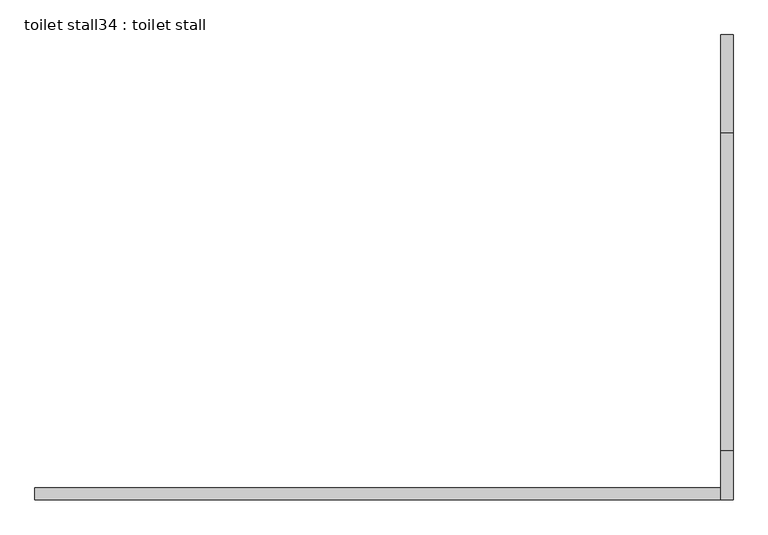
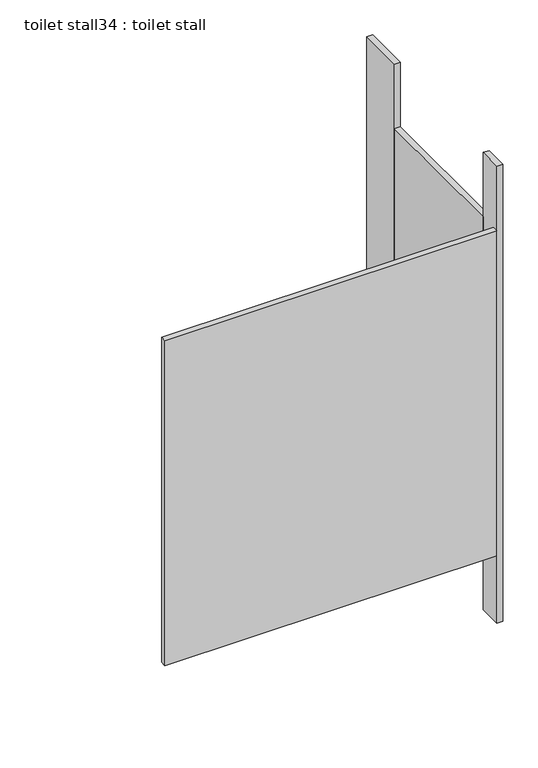
"""IFC4 building model written with IfcOpenShell, lengths in millimetres: proxy geometry, toilet stall34 : toilet stall."""

from ifc_helpers import new_model, si_unit, frame, origin, origin_with_axes, place, context, project, spatial, polyline, outline, extrude, source, transform, mapped, element, save


def toilet_stall34_toilet_stall_c4360956(model_context):
    return source(origin(), model_context, "Body", "SweptSolid", [
        extrude(outline(polyline([(458207.8504676, -332805.8955223), (458207.8504676, -332602.6955223), (458233.2504676, -332602.6955223), (458233.2504676, -332805.8955223), (458207.8504676, -332805.8955223)])), origin_with_axes(), (0.0, 0.0, 1.0), 2070.1),
        extrude(outline(polyline([(458207.8504676, -333567.8955223), (458207.8504676, -333466.2955223), (458233.2504676, -333466.2955223), (458233.2504676, -333567.8955223), (458207.8504676, -333567.8955223)])), origin_with_axes(), (0.0, 0.0, 1.0), 2070.1),
        extrude(outline(polyline([(458207.8504676, -333567.8955223), (456785.4504676, -333567.8955223), (456785.4504676, -333542.4955223), (458207.8504676, -333542.4955223), (458207.8504676, -333567.8955223)])), frame((0.0, 0.0, 304.8), z_axis=(0.0, 0.0, 1.0), x_axis=(1.0, 0.0, 0.0)), (0.0, 0.0, 1.0), 1473.2),
        extrude(outline(polyline([(458207.8504676, -333466.2955223), (458207.8504676, -332805.8955223), (458233.2504676, -332805.8955223), (458233.2504676, -333466.2955223), (458207.8504676, -333466.2955223)])), frame((0.0, 0.0, 304.8), z_axis=(0.0, 0.0, 1.0), x_axis=(1.0, 0.0, 0.0)), (0.0, 0.0, 1.0), 1473.2),
    ])


if __name__ == "__main__":
    model = new_model("IFC4")
    model_context = context("Model", 3, world=origin())
    ifc_project = project(units=[si_unit("LENGTHUNIT", "METRE", prefix="MILLI")], contexts=[model_context])
    site = spatial("IfcSite", under=ifc_project)
    building = spatial("IfcBuilding", under=site)
    placement = place(None, origin())
    toilet_stall34_toilet_stall_shape = toilet_stall34_toilet_stall_c4360956(model_context)
    element("IfcBuildingElementProxy", 1, Name="toilet stall34 : toilet stall", ObjectType="toilet stall34 : toilet stall", at=placement, inside=building, context=model_context, shape_type="MappedRepresentation", body=[
        mapped(toilet_stall34_toilet_stall_shape, transform((0.0, 0.0, 0.0), x_axis=(1.0, 0.0, 0.0), y_axis=(0.0, 1.0, 0.0), z_axis=(0.0, 0.0, 1.0))),
    ])
    save(model, "model.ifc")
